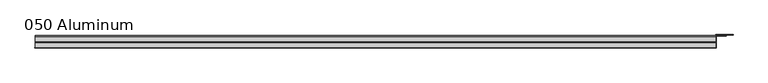
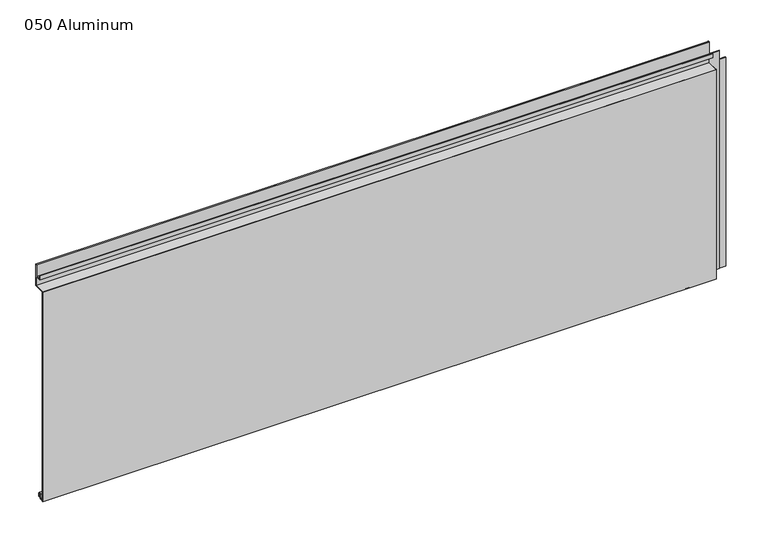
"""IFC4 building model written with IfcOpenShell, lengths in millimetres: plate geometry, 050 Aluminum."""

from ifc_helpers import new_model, si_unit, point, frame, frame_2d, origin, origin_with_axes, place, context, project, spatial, polyline, circle_curve, trimmed, segment, composite_curve, outline, extrude, source, transform, mapped, element, save


def plate_050_aluminum_f5315457(model_context):
    return source(origin(), model_context, "Body", "SweptSolid", [
        extrude(outline(composite_curve([segment(polyline([(-16.6765477, 13.1458337), (-16.6765477, 2.786437), (-17.9464915, 2.786437), (-17.9464915, 13.1323356)]), True, "CONTINUOUS"), segment(trimmed(circle_curve(frame_2d((-19.8514743, 13.124237)), 1.905), [point((-17.9464915, 13.1323356))], [point((-21.7564743, 13.124237))], True, "CARTESIAN"), True, "CONTINUOUS"), segment(polyline([(-21.7564743, 13.124237), (-21.7564743, 0.0), (-34.7980002, 0.0), (-34.7980002, 1.2693678), (-23.0264743, 1.2693678), (-23.0264743, 13.124237)]), True, "CONTINUOUS"), segment(trimmed(circle_curve(frame_2d((-19.8514743, 13.124237)), 3.175), [point((-23.0264743, 13.124237))], [point((-16.6765477, 13.1458337))], False, "CARTESIAN"), True, "CONTINUOUS")], self_intersect=False)), frame((-919.4800002, 0.0, 0.0), z_axis=(1.0, 0.0, 0.0), x_axis=(0.0, 1.0, 0.0)), (0.0, 0.0, 1.0), 1813.5600003),
        extrude(outline(composite_curve([segment(polyline([(-2.0574743, 656.7932001), (-2.0574743, 595.63), (-34.7980002, 595.63), (-34.7980002, 596.9000001), (-3.3274743, 596.9000001), (-3.3274743, 656.7932001)]), True, "CONTINUOUS"), segment(trimmed(circle_curve(frame_2d((-3.7084742, 656.7932001)), 0.3809999), [point((-3.3274743, 656.7932001))], [point((-4.0894742, 656.7932001))], True, "CARTESIAN"), True, "CONTINUOUS"), segment(polyline([(-4.0894742, 656.7932001), (-4.0894742, 622.2999999), (-20.4864742, 622.2999999), (-20.4864742, 633.6537999), (-19.2164743, 633.6537999), (-19.2164743, 623.5699999), (-5.3594742, 623.5699999), (-5.3594742, 656.7932001)]), True, "CONTINUOUS"), segment(trimmed(circle_curve(frame_2d((-3.7084742, 656.7932001)), 1.6509999), [point((-5.3594742, 656.7932001))], [point((-2.0574743, 656.7932001))], False, "CARTESIAN"), True, "CONTINUOUS")], self_intersect=False)), frame((-919.4800002, 0.0, 0.0), z_axis=(1.0, 0.0, 0.0), x_axis=(0.0, 1.0, 0.0)), (0.0, 0.0, 1.0), 1813.5600003),
        extrude(outline(polyline([(-920.7500002, -36.068), (-920.7500002, -34.7980001), (895.3500002, -34.7980001), (895.3500002, -36.068), (-920.7500002, -36.068)])), origin_with_axes(), (0.0, 0.0, 1.0), 596.9),
        extrude(outline(polyline([(895.3500002, -1.2699999), (895.3500002, -34.7980002), (894.0800002, -34.7980002), (894.0800002, 0.0), (940.5620857, 0.0), (940.5620857, -1.2699999), (895.3500002, -1.2699999)])), origin_with_axes(), (0.0, 0.0, 1.0), 595.63),
        extrude(outline(polyline([(894.0800002, -3.3274743), (894.0800002, -2.0574743), (922.5280001, -2.0574743), (922.5280001, -3.3274743), (894.0800002, -3.3274743)])), origin_with_axes(), (0.0, 0.0, 1.0), 622.3),
    ])


if __name__ == "__main__":
    model = new_model("IFC4")
    model_context = context("Model", 3, world=origin())
    ifc_project = project(units=[si_unit("LENGTHUNIT", "METRE", prefix="MILLI")], contexts=[model_context])
    site = spatial("IfcSite", under=ifc_project)
    building = spatial("IfcBuilding", under=site)
    placement = place(None, origin())
    plate_050_aluminum_shape = plate_050_aluminum_f5315457(model_context)
    element("IfcPlate", 1, ObjectType="050 Aluminum", at=placement, inside=building, context=model_context, shape_type="MappedRepresentation", body=[
        mapped(plate_050_aluminum_shape, transform((0.0, 0.0, 0.0), x_axis=(1.0, 0.0, 0.0), y_axis=(0.0, 1.0, 0.0), z_axis=(0.0, 0.0, 1.0))),
    ])
    save(model, "model.ifc")
